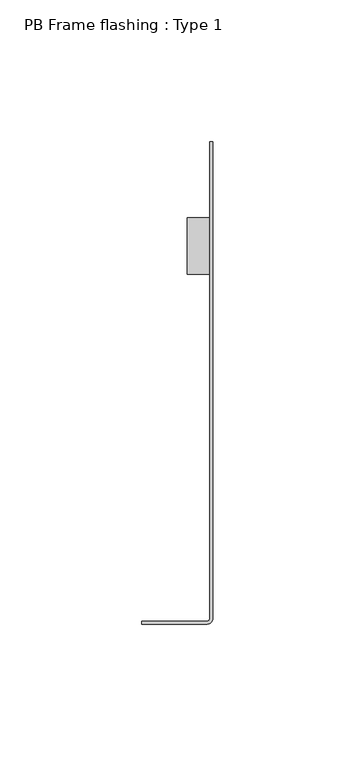
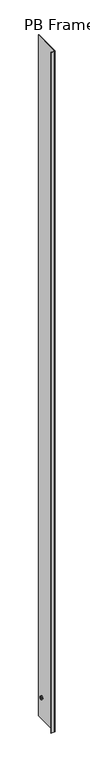
"""IFC4 building model written with IfcOpenShell, lengths in millimetres: proxy geometry, PB Frame flashing : Type 1."""

from ifc_helpers import new_model, si_unit, point, frame, frame_2d, origin, origin_with_axes, place, context, project, spatial, polyline, circle_curve, trimmed, segment, composite_curve, outline, extrude, source, transform, mapped, element, save
from ifc_brep_helpers import plane_surface, cylinder_surface, revolved_surface, advanced_brep


def pb_frame_flashing_type_1_54ecc9bc(model_context):
    return source(origin(), model_context, "Body", "SolidModel", [
        advanced_brep(
        [(-9.0, -26.0, 138.0), (-9.0, -46.0, 138.0), (-9.0, -41.0, 138.0), (-9.0, -31.0, 138.0), (-1.0, -26.0, 138.0), (-1.0, -46.0, 138.0), (-1.0, -31.0, 138.0), (-1.0, -41.0, 138.0), (-3.0, -33.0, 138.0), (-3.0, -39.0, 138.0), (-7.0, -33.0, 138.0), (-7.0, -39.0, 138.0)],
        [
            (0, 1, circle_curve(frame((-9.0, -36.0, 138.0), z_axis=(-1.0, 0.0, 0.0), x_axis=(0.0, -1.0, 0.0)), 10.0)),
            (1, 2),
            (2, 3, circle_curve(frame((-9.0, -36.0, 138.0), z_axis=(1.0, 0.0, 0.0), x_axis=(0.0, -1.0, 0.0)), 5.0)),
            (3, 0),
            (1, 0, circle_curve(frame((-9.0, -36.0, 138.0), z_axis=(-1.0, 0.0, 0.0), x_axis=(0.0, -1.0, 0.0)), 10.0)),
            (3, 2, circle_curve(frame((-9.0, -36.0, 138.0), z_axis=(1.0, 0.0, 0.0), x_axis=(0.0, -1.0, 0.0)), 5.0)),
            (4, 5, circle_curve(frame((-1.0, -36.0, 138.0), z_axis=(-1.0, 0.0, 0.0), x_axis=(0.0, -1.0, 0.0)), 10.0)),
            (5, 1),
            (0, 4),
            (5, 4, circle_curve(frame((-1.0, -36.0, 138.0), z_axis=(-1.0, 0.0, 0.0), x_axis=(0.0, -1.0, 0.0)), 10.0)),
            (6, 7, circle_curve(frame((-1.0, -36.0, 138.0), z_axis=(-1.0, 0.0, 0.0), x_axis=(0.0, -1.0, 0.0)), 5.0)),
            (7, 5),
            (4, 6),
            (7, 6, circle_curve(frame((-1.0, -36.0, 138.0), z_axis=(-1.0, 0.0, 0.0), x_axis=(0.0, -1.0, 0.0)), 5.0)),
            (8, 9, circle_curve(frame((-3.0, -36.0, 138.0), z_axis=(-1.0, 0.0, 0.0), x_axis=(0.0, -1.0, 0.0)), 3.0)),
            (9, 7),
            (6, 8),
            (9, 8, circle_curve(frame((-3.0, -36.0, 138.0), z_axis=(-1.0, 0.0, 0.0), x_axis=(0.0, -1.0, 0.0)), 3.0)),
            (10, 11, circle_curve(frame((-7.0, -36.0, 138.0), z_axis=(-1.0, 0.0, 0.0), x_axis=(0.0, -1.0, 0.0)), 3.0)),
            (11, 9),
            (8, 10),
            (11, 10, circle_curve(frame((-7.0, -36.0, 138.0), z_axis=(-1.0, 0.0, 0.0), x_axis=(0.0, -1.0, 0.0)), 3.0)),
            (2, 11),
            (10, 3),
        ],
        [
            plane_surface(frame((-9.0, -36.0, 138.0), z_axis=(-1.0, 0.0, 0.0), x_axis=(0.0, -1.0, 0.0))),
            cylinder_surface(frame((1898.9826547, -36.0, 138.0), z_axis=(1.0, 0.0, 0.0), x_axis=(0.0, -1.0, 0.0)), 10.0),
            plane_surface(frame((-1.0, -36.0, 138.0), z_axis=(1.0, 0.0, 0.0), x_axis=(0.0, -1.0, 0.0))),
            revolved_surface(polyline([(-1.0, -41.0, 138.0), (-3.0, -39.0, 138.0)]), (1898.9826547, -36.0, 138.0), (1.0, 0.0, 0.0)),
            revolved_surface(polyline([(-3.0, -39.0, 138.0), (-7.0, -39.0, 138.0)]), (1898.9826547, -36.0, 138.0), (1.0, 0.0, 0.0)),
            revolved_surface(polyline([(-7.0, -39.0, 138.0), (-9.0, -41.0, 138.0)]), (1898.9826547, -36.0, 138.0), (1.0, 0.0, 0.0)),
        ],
        [
            (0, [[1, 2, 3, 4]]),
            (0, [[5, -4, 6, -2]]),
            (1, [[7, 8, -1, 9]]),
            (1, [[10, -9, -5, -8]]),
            (2, [[11, 12, -7, 13]]),
            (2, [[14, -13, -10, -12]]),
            (3, [[15, 16, -11, 17]]),
            (3, [[18, -17, -14, -16]]),
            (4, [[19, 20, -15, 21]]),
            (4, [[22, -21, -18, -20]]),
            (5, [[-3, 23, -19, 24]]),
            (5, [[-6, -24, -22, -23]]),
        ],
    ),
        extrude(outline(composite_curve([segment(polyline([(-25.0, -169.0), (-2.0, -169.0)]), True, "CONTINUOUS"), segment(trimmed(circle_curve(frame_2d((-2.0, -168.0)), 1.0), [point((-2.0, -169.0))], [point((-1.0, -168.0))], True, "CARTESIAN"), True, "CONTINUOUS"), segment(polyline([(-1.0, -168.0), (-1.0, 0.0), (0.0, 0.0), (0.0, -168.0)]), True, "CONTINUOUS"), segment(trimmed(circle_curve(frame_2d((-2.0, -168.0)), 2.0), [point((0.0, -168.0))], [point((-2.0, -170.0))], False, "CARTESIAN"), True, "CONTINUOUS"), segment(polyline([(-2.0, -170.0), (-25.0, -170.0), (-25.0, -169.0)]), True, "CONTINUOUS")], self_intersect=False)), origin_with_axes(), (0.0, 0.0, 1.0), 4350.0),
    ])


if __name__ == "__main__":
    model = new_model("IFC4")
    model_context = context("Model", 3, world=origin())
    ifc_project = project(units=[si_unit("LENGTHUNIT", "METRE", prefix="MILLI")], contexts=[model_context])
    site = spatial("IfcSite", under=ifc_project)
    building = spatial("IfcBuilding", under=site)
    placement = place(None, origin())
    pb_frame_flashing_type_1_shape = pb_frame_flashing_type_1_54ecc9bc(model_context)
    element("IfcBuildingElementProxy", 1, Name="PB Frame flashing : Type 1", ObjectType="PB Frame flashing : Type 1", at=placement, inside=building, context=model_context, shape_type="MappedRepresentation", body=[
        mapped(pb_frame_flashing_type_1_shape, transform((0.0, 0.0, 0.0), x_axis=(1.0, 0.0, 0.0), y_axis=(0.0, 1.0, 0.0), z_axis=(0.0, 0.0, 1.0))),
    ])
    save(model, "model.ifc")
